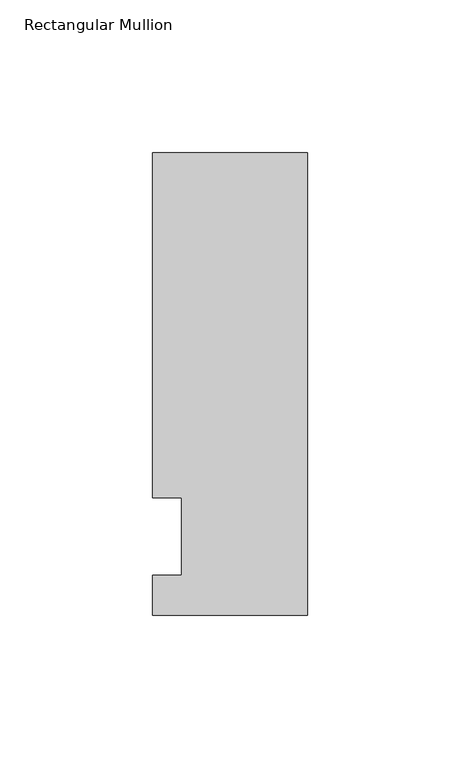
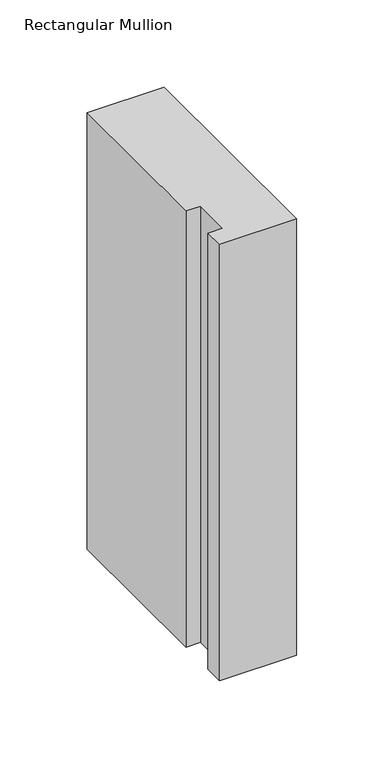
"""IFC4 building model written with IfcOpenShell, lengths in millimetres: member geometry, Rectangular Mullion."""

from ifc_helpers import new_model, si_unit, frame, origin, place, context, project, spatial, polyline, outline, extrude, source, transform, mapped, element, save


def rectangular_mullion_72dd9334(model_context):
    return source(origin(), model_context, "Body", "SweptSolid", [
        extrude(outline(polyline([(-50.8, -25.7961253), (-50.8, -12.7), (-41.275, -12.7), (-41.275, 12.7), (-50.8, 12.7), (-50.8, 125.8036906), (0.0, 125.8036906), (0.0, -25.7961253), (-50.8, -25.7961253)])), frame((0.0, 0.0, -304.8), z_axis=(0.0, 0.0, 1.0), x_axis=(1.0, 0.0, 0.0)), (0.0, 0.0, 1.0), 304.8),
    ])


if __name__ == "__main__":
    model = new_model("IFC4")
    model_context = context("Model", 3, world=origin())
    ifc_project = project(units=[si_unit("LENGTHUNIT", "METRE", prefix="MILLI")], contexts=[model_context])
    site = spatial("IfcSite", under=ifc_project)
    building = spatial("IfcBuilding", under=site)
    placement = place(None, origin())
    rectangular_mullion_shape = rectangular_mullion_72dd9334(model_context)
    element("IfcMember", 1, ObjectType="Rectangular Mullion", at=placement, inside=building, context=model_context, shape_type="MappedRepresentation", body=[
        mapped(rectangular_mullion_shape, transform((0.0, 0.0, 0.0), x_axis=(1.0, 0.0, 0.0), y_axis=(0.0, 1.0, 0.0), z_axis=(0.0, 0.0, 1.0))),
    ])
    save(model, "model.ifc")
